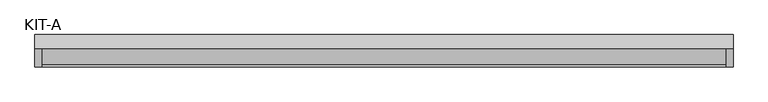
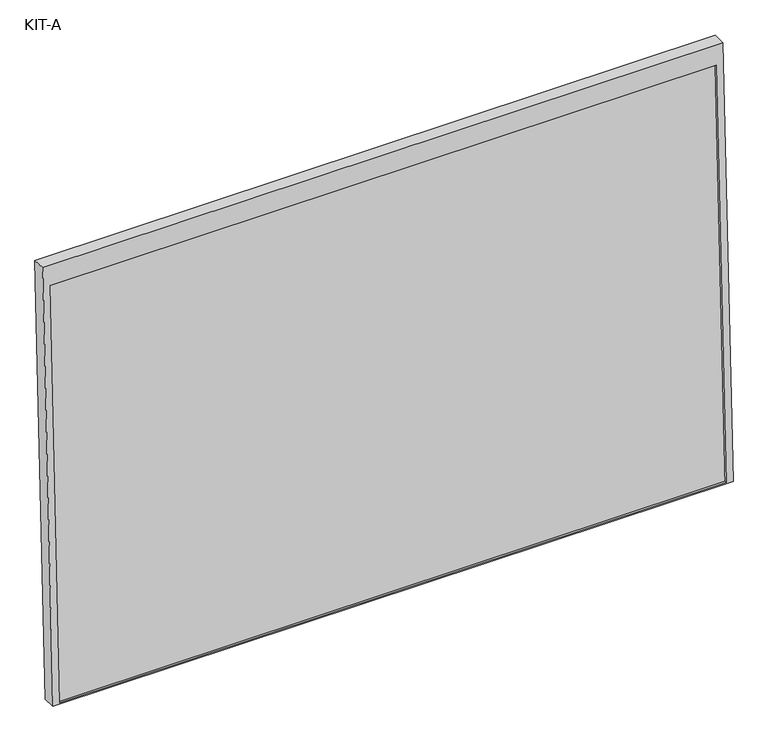
"""IFC4 building model written with IfcOpenShell, lengths in millimetres: plate geometry, KIT-A."""

from ifc_helpers import new_model, si_unit, frame, origin, place, context, project, spatial, polyline, outline, extrude, source, transform, mapped, element, save


def kit_a_99825c68(model_context):
    return source(origin(), model_context, "Body", "SweptSolid", [
        extrude(outline(polyline([(0.0, 0.0), (0.0, -1791.0), (-1195.0, -1791.0), (-1195.0, 0.0), (0.0, 0.0)]), holes=[polyline([(-55.0, -18.5), (-1191.0441175, -18.5), (-1191.0441175, -1772.5), (-55.0, -1772.5), (-55.0, -18.5)])]), frame((-895.5, 9.1550345, 1115.0528455), z_axis=(0.0, -0.9992101801000246, 0.039736834102334216), x_axis=(0.0, 0.039736834102334216, 0.9992101801000246)), (0.0, 0.0, 1.0), 35.0),
        extrude(outline(polyline([(0.0, -1754.0), (0.0, 0.0), (27.4505712, 0.0), (27.4505712, -1754.0), (0.0, -1754.0)])), frame((-877.0, -68.1495934, -73.8584567), z_axis=(0.0, 0.03973683410233643, 0.9992101801000245), x_axis=(0.0, 0.9992101801000245, -0.03973683410233643)), (0.0, 0.0, 1.0), 1136.0441176),
    ])


if __name__ == "__main__":
    model = new_model("IFC4")
    model_context = context("Model", 3, world=origin())
    ifc_project = project(units=[si_unit("LENGTHUNIT", "METRE", prefix="MILLI")], contexts=[model_context])
    site = spatial("IfcSite", under=ifc_project)
    building = spatial("IfcBuilding", under=site)
    placement = place(None, origin())
    kit_a_shape = kit_a_99825c68(model_context)
    element("IfcPlate", 1, ObjectType="KIT-A", at=placement, inside=building, context=model_context, shape_type="MappedRepresentation", body=[
        mapped(kit_a_shape, transform((0.0, 0.0, 0.0), x_axis=(1.0, 0.0, 0.0), y_axis=(0.0, 1.0, 0.0), z_axis=(0.0, 0.0, 1.0))),
    ])
    save(model, "model.ifc")
